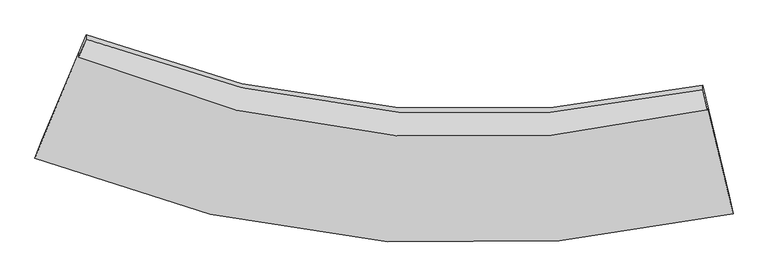
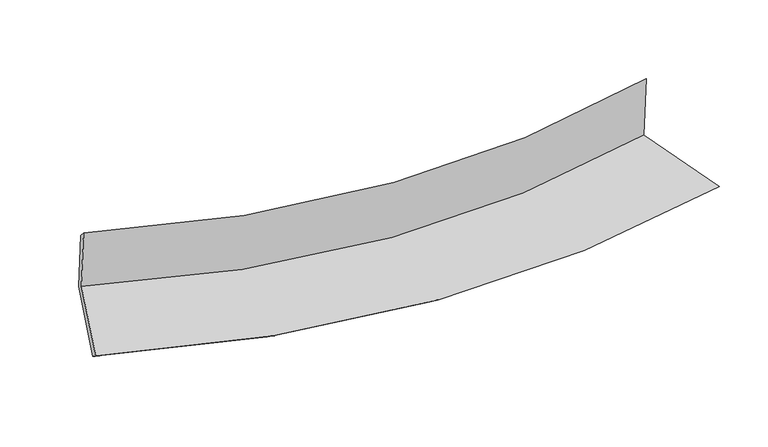
"""IFC4 building model written with IfcOpenShell, lengths in millimetres: proxy geometry."""

import ifcopenshell
import ifcopenshell.guid

model = None  # the IFC model being written
_history = None  # IfcOwnerHistory: only IFC2X3 demands one
_inside = {}  # id of a spatial element -> (the spatial element, [elements in it])
_under = {}  # id of a project, library or spatial element -> (it, [spatial elements below it])
_declared = {}  # id of a project -> (the project, [libraries it declares])
_typed = {}  # id of a type object -> (the type object, [elements of that type])
_made_of = {}  # id of a material, layer set ... -> (it, [elements and type objects made of it])


def new_model(schema):
    """Start an empty IFC model of exactly this schema.

    Asked for "IFC4X3", IfcOpenShell would pick the latest addendum, in which some entities
    have other attributes; the version numbers below select the first issue.
    IFC2X3 requires an IfcOwnerHistory on every rooted entity: one is made here for all.
    """
    global model, _history
    if schema == "IFC4X3":
        model = ifcopenshell.file(schema_version=(4, 3, 0, 0))
    else:
        model = ifcopenshell.file(schema=schema)
    _inside.clear()
    _under.clear()
    _declared.clear()
    _typed.clear()
    _made_of.clear()
    _history = None
    if model.schema == "IFC2X3":
        org = make("IfcOrganization", Name="unknown")
        user = make(
            "IfcPersonAndOrganization",
            ThePerson=make("IfcPerson", FamilyName="unknown"),
            TheOrganization=org,
        )
        app = make(
            "IfcApplication",
            ApplicationDeveloper=org,
            Version="unknown",
            ApplicationFullName="unknown",
            ApplicationIdentifier="unknown",
        )
        _history = make(
            "IfcOwnerHistory",
            OwningUser=user,
            OwningApplication=app,
            ChangeAction="ADDED",
            CreationDate=0,
        )
    return model


def make(cls, **values):
    """One entity of the class cls with the attributes given. An attribute that is None is left unset."""
    return model.create_entity(
        cls, **{name: value for name, value in values.items() if value is not None}
    )


def rooted(cls, **values):
    """An entity with a GlobalId (a new one), such as an element, a storey or a relation."""
    return make(cls, GlobalId=ifcopenshell.guid.new(), OwnerHistory=_history, **values)


def si_unit(unit_type, name, prefix=None):
    """IfcSIUnit, for example si_unit("LENGTHUNIT", "METRE", prefix="MILLI")."""
    return make("IfcSIUnit", UnitType=unit_type, Prefix=prefix, Name=name)


def assignment(units):
    """IfcUnitAssignment: the units of a project."""
    return None if units is None else make("IfcUnitAssignment", Units=units)


def point(xyz):
    """IfcCartesianPoint."""
    return None if xyz is None else make("IfcCartesianPoint", Coordinates=xyz)


def direction(xyz):
    """IfcDirection."""
    return None if xyz is None else make("IfcDirection", DirectionRatios=xyz)


def frame(location, z_axis=None, x_axis=None):
    """IfcAxis2Placement3D, a coordinate frame: its origin and axes. An axis left out is left unset."""
    return make(
        "IfcAxis2Placement3D",
        Location=point(location),
        Axis=direction(z_axis),
        RefDirection=direction(x_axis),
    )


def origin():
    """The frame at (0, 0, 0) with its axes left unset."""
    return frame((0.0, 0.0, 0.0))


def place(relative_to, where):
    """IfcLocalPlacement: puts the frame where relative to a parent placement (None: the world)."""
    return make(
        "IfcLocalPlacement", PlacementRelTo=relative_to, RelativePlacement=where
    )


def context(
    kind, dimensions, precision=None, world=None, true_north=None, identifier=None
):
    """IfcGeometricRepresentationContext, for example the 3D "Model" context."""
    return make(
        "IfcGeometricRepresentationContext",
        ContextIdentifier=identifier,
        ContextType=kind,
        CoordinateSpaceDimension=dimensions,
        Precision=precision,
        WorldCoordinateSystem=world,
        TrueNorth=true_north,
    )


def project(units=None, contexts=None):
    """IfcProject with its units and contexts."""
    return rooted(
        "IfcProject",
        Name="project",
        RepresentationContexts=contexts,
        UnitsInContext=assignment(units),
    )


def spatial(cls, under=None, at=None, **own):
    """A site, building, storey or space (cls), placed at a placement, below another one or the project."""
    s = rooted(cls, ObjectPlacement=at, **own)
    if under is not None:
        _under.setdefault(under.id(), (under, []))[1].append(s)
    return s


def shape(context_of_items, identifier, shape_type, items):
    """IfcShapeRepresentation: the items that make up one representation, for example the "Body"."""
    return make(
        "IfcShapeRepresentation",
        ContextOfItems=context_of_items,
        RepresentationIdentifier=identifier,
        RepresentationType=shape_type,
        Items=items,
    )


def source(mapping_origin, context_of_items, identifier, shape_type, items):
    """IfcRepresentationMap: a shape defined once, which mapped items show again and again."""
    return make(
        "IfcRepresentationMap",
        MappingOrigin=mapping_origin,
        MappedRepresentation=shape(context_of_items, identifier, shape_type, items),
    )


def transform(
    local_origin,
    x_axis=None,
    y_axis=None,
    z_axis=None,
    scale=None,
    scale2=None,
    scale3=None,
    uniform=True,
):
    """IfcCartesianTransformationOperator3D, or its non-uniform kind. x_axis, y_axis, z_axis: its Axis1, 2, 3."""
    if uniform:
        return make(
            "IfcCartesianTransformationOperator3D",
            Axis1=direction(x_axis),
            Axis2=direction(y_axis),
            LocalOrigin=point(local_origin),
            Scale=scale,
            Axis3=direction(z_axis),
        )
    return make(
        "IfcCartesianTransformationOperator3DnonUniform",
        Axis1=direction(x_axis),
        Axis2=direction(y_axis),
        LocalOrigin=point(local_origin),
        Scale=scale,
        Axis3=direction(z_axis),
        Scale2=scale2,
        Scale3=scale3,
    )


def mapped(mapping_source, mapping_target):
    """IfcMappedItem: shows the shape of a source again, moved by a transform."""
    return make(
        "IfcMappedItem", MappingSource=mapping_source, MappingTarget=mapping_target
    )


def made_of(thing, what):
    """Note that an element or type object is made of a material, layer set ...; save() writes the relation."""
    if what is not None:
        _made_of.setdefault(what.id(), (what, []))[1].append(thing)
    return thing


def element(
    cls,
    number,
    at=None,
    inside=None,
    cuts=None,
    type_object=None,
    material=None,
    context=None,
    identifier="Body",
    shape_type=None,
    held_by="IfcProductDefinitionShape",
    body=None,
    shapes=None,
    **own,
):
    """One element of the class cls, such as IfcWall. Its Tag is "e" and its number.

    at: its placement. inside: the storey or other place that contains it. cuts: it is an
    opening in that element (IfcRelVoidsElement). A single representation is given by context,
    identifier, shape_type and body (its items); several are given by shapes. held_by: the class
    of the entity that holds the representations. save() writes the other relations.
    """
    e = rooted(cls, Tag="e%d" % number, ObjectPlacement=at, **own)
    if body is not None:
        shapes = [shape(context, identifier, shape_type, body)]
    if shapes is not None:
        e.Representation = make(held_by, Representations=shapes)
    if inside is not None:
        _inside.setdefault(inside.id(), (inside, []))[1].append(e)
    if cuts is not None:
        rooted(
            "IfcRelVoidsElement", RelatingBuildingElement=cuts, RelatedOpeningElement=e
        )
    if type_object is not None:
        _typed.setdefault(type_object.id(), (type_object, []))[1].append(e)
    return made_of(e, material)


def aggregate(whole, parts):
    """IfcRelAggregates: a whole, such as a stair, and the parts it consists of."""
    return rooted("IfcRelAggregates", RelatingObject=whole, RelatedObjects=parts)


def save(model, path):
    """Write the relations noted so far, then the file.

    IfcRelAggregates (storeys below a building ...), IfcRelContainedInSpatialStructure (elements
    in a storey), IfcRelDefinesByType, IfcRelAssociatesMaterial and IfcRelDeclares: one each for
    every whole, place, type object, material and project.
    """
    for whole, parts in _under.values():
        aggregate(whole, parts)
    for where, things in _inside.values():
        rooted(
            "IfcRelContainedInSpatialStructure",
            RelatedElements=things,
            RelatingStructure=where,
        )
    for kind, things in _typed.values():
        rooted("IfcRelDefinesByType", RelatedObjects=things, RelatingType=kind)
    for what, things in _made_of.values():
        rooted("IfcRelAssociatesMaterial", RelatedObjects=things, RelatingMaterial=what)
    for by, libraries in _declared.values():
        rooted("IfcRelDeclares", RelatingContext=by, RelatedDefinitions=libraries)
    model.write(path)


def plane_surface(at):
    """IfcPlane: the flat surface through the origin of the frame at, square to its z axis."""
    return make("IfcPlane", Position=at)


def spline_curve(degree, points, multiplicities, knots, weights=None):
    """IfcBSplineCurveWithKnots; with weights, IfcRationalBSplineCurveWithKnots."""
    own = dict(
        Degree=degree,
        ControlPointsList=[point(p) for p in points],
        CurveForm="UNSPECIFIED",
        ClosedCurve=False,
        SelfIntersect=False,
        KnotMultiplicities=multiplicities,
        Knots=knots,
        KnotSpec="UNSPECIFIED",
    )
    if weights is None:
        return make("IfcBSplineCurveWithKnots", **own)
    return make("IfcRationalBSplineCurveWithKnots", WeightsData=weights, **own)


def spline_surface(u_degree, v_degree, points, u_multiplicities, v_multiplicities, u_knots, v_knots, weights=None):
    """IfcBSplineSurfaceWithKnots; with weights, IfcRationalBSplineSurfaceWithKnots. points: one row for each step in u."""
    own = dict(
        UDegree=u_degree,
        VDegree=v_degree,
        ControlPointsList=[[point(p) for p in row] for row in points],
        SurfaceForm="UNSPECIFIED",
        UClosed=False,
        VClosed=False,
        SelfIntersect=False,
        UMultiplicities=u_multiplicities,
        VMultiplicities=v_multiplicities,
        UKnots=u_knots,
        VKnots=v_knots,
        KnotSpec="UNSPECIFIED",
    )
    if weights is None:
        return make("IfcBSplineSurfaceWithKnots", **own)
    return make("IfcRationalBSplineSurfaceWithKnots", WeightsData=weights, **own)


def advanced_brep(points, edges, surfaces, faces):
    """IfcAdvancedBrep: a solid bounded by faces that lie on surfaces and meet in shared edges.

    An edge is (start, end): straight between two places in points (the first is 0);
    or (start, end, curve); or (start, end, curve, False) where it runs against its curve.
    A face is (place in surfaces, loops), or (place, loops, False) where it looks against
    its surface's normal. A loop lists edges by number (the first is 1), with a minus sign
    where the edge is run from its end to its start. The first loop is the outer one.
    """
    corners = [point(p) for p in points]
    vertices = [make("IfcVertexPoint", VertexGeometry=c) for c in corners]
    made = []
    for start, end, *more in edges:
        made.append(
            make(
                "IfcEdgeCurve",
                EdgeStart=vertices[start],
                EdgeEnd=vertices[end],
                EdgeGeometry=more[0] if more else make("IfcPolyline", Points=[corners[start], corners[end]]),
                SameSense=more[1] if len(more) > 1 else True,
            )
        )
    hull = []
    for where, loops, *sense in faces:
        bounds = []
        for j, loop in enumerate(loops):
            ring = [make("IfcOrientedEdge", EdgeElement=made[abs(k) - 1], Orientation=k > 0) for k in loop]
            bounds.append(
                make(
                    "IfcFaceOuterBound" if j == 0 else "IfcFaceBound",
                    Bound=make("IfcEdgeLoop", EdgeList=ring),
                    Orientation=True,
                )
            )
        hull.append(make("IfcAdvancedFace", Bounds=bounds, FaceSurface=surfaces[where], SameSense=sense[0] if sense else True))
    return make("IfcAdvancedBrep", Outer=make("IfcClosedShell", CfsFaces=hull))


def generic_models_3fdf727f(model_context):
    return source(origin(), model_context, "Body", "AdvancedBrep", [
        advanced_brep(
        [(-1804.8065759, -1127.9472163, 1815.1998574), (-1804.7834383, -1152.9685809, 2202.8926398), (1818.2667437, -1449.1873035, 2198.5105651), (1818.243054, -1423.5688879, 1801.5667956), (-2063.5799929, -1747.4462655, 1775.2333557), (1971.7715607, -2071.3163879, 1759.7525566), (-2104.9538676, -1852.1470617, 1856.2309625), (1995.3681277, -2177.0414316, 1849.2946818), (-1846.3604396, -1233.0789032, 1896.1696656), (1844.2683886, -1539.5410718, 1890.4474341), (-1846.3362926, -1259.1919136, 2300.7769209), (1844.2938385, -1567.0629815, 2316.8848368)],
        [
            (0, 1),
            (1, 2, spline_curve(3, [(-1804.7834383, -1152.9685809, 2202.8926398), (-1199.359187147, -1392.338421358, 2179.995824359), (-587.258322647, -1535.020247151, 2168.441533791), (621.041474007, -1624.833329233, 2168.028013886), (1216.624003425, -1580.891077693, 2178.121613063), (1818.2667437, -1449.1873035, 2198.5105651)], [4, 2, 4], [0.0, 6.1914871600886965, 12.090247210259626])),
            (2, 3),
            (3, 0, spline_curve(3, [(1818.243054, -1423.5688879, 1801.5667956), (1216.600931718, -1555.941007533, 1791.533499267), (621.018762569, -1600.272896618, 1787.477129671), (-587.280823715, -1510.687179694, 1791.413552153), (-1199.381864513, -1367.814733242, 1800.014275666), (-1804.8065759, -1127.9472163, 1815.1998574)], [4, 2, 4], [0.0, 5.89876005017093, 12.090247210259626])),
            (4, 0),
            (3, 5),
            (5, 4, spline_curve(3, [(1971.7715607, -2071.3163879, 1759.7525566), (1297.737415007, -2222.859439907, 1748.486304732), (632.367991756, -2274.767450737, 1743.94514364), (-713.630508127, -2176.944926939, 1748.421380482), (-1393.37826944, -2017.080208624, 1758.12280811), (-2063.5799929, -1747.4462655, 1775.2333557)], [4, 2, 4], [0.0, 6.235786767872266, 12.78102566180106])),
            (6, 4),
            (5, 7),
            (7, 6, spline_curve(3, [(1995.3681277, -2177.0414316, 1849.2946818), (1310.136765775, -2334.865322397, 1838.282054609), (633.877980117, -2389.908516996, 1833.192795285), (-733.808646299, -2292.064531656, 1834.902405112), (-1424.323859109, -2128.72321348, 1842.303757956), (-2104.9538676, -1852.1470617, 1856.2309625)], [4, 2, 4], [0.0, 6.62667226334186, 13.582194421156725])),
            (8, 6),
            (7, 9),
            (9, 8, spline_curve(3, [(1844.2683886, -1539.5410718, 1890.4474341), (1229.02608258, -1687.770789117, 1880.049829836), (621.116980389, -1739.363288335, 1875.179196205), (-609.838511457, -1647.038497973, 1876.524441865), (-1232.139018647, -1493.29194261, 1883.302485908), (-1846.3604396, -1233.0789032, 1896.1696656)], [4, 2, 4], [0.0, 6.351600984593167, 13.018401398177673])),
            (10, 8),
            (9, 11),
            (11, 10, spline_curve(3, [(1844.2938385, -1567.0629815, 2316.8848368), (1229.051314144, -1715.056559192, 2302.82837351), (621.141996687, -1766.416337993, 2294.351862888), (-609.813929675, -1673.621567021, 2288.415003431), (-1232.114656036, -1519.638098532, 2291.522209084), (-1846.3362926, -1259.1919136, 2300.7769209)], [4, 2, 4], [0.0, 6.0226884066629545, 12.344253891936116])),
            (1, 10),
            (11, 2),
        ],
        [
            spline_surface(3, 3, [[(-1804.8065759, -1127.9472163, 1815.1998574), (-1199.381864524, -1367.81473318, 1800.01427566), (-587.280823709, -1510.687179593, 1791.413552152), (621.018762563, -1600.272896714, 1787.477129673), (1216.6009317, -1555.941007453, 1791.533499216), (1818.243054, -1423.5688879, 1801.5667956)], [(-1804.798863377, -1136.287671187, 1944.430784888), (-1199.374305403, -1375.989295899, 1926.674791938), (-587.273323345, -1518.798202068, 1917.089546038), (621.026333009, -1608.459707576, 1914.327424431), (1216.608622247, -1564.257697545, 1920.39620381), (1818.250950557, -1432.108359749, 1933.88138542)], [(-1804.791150823, -1144.628126013, 2073.661712312), (-1199.366746252, -1384.163858557, 2053.335308151), (-587.265822942, -1526.909224574, 2042.765539883), (621.033903495, -1616.646518468, 2041.177719148), (1216.616312825, -1572.574387692, 2049.258908444), (1818.258847143, -1440.647831651, 2066.19597528)], [(-1804.7834383, -1152.9685809, 2202.8926398), (-1199.359187132, -1392.338421276, 2179.995824429), (-587.258322578, -1535.020247049, 2168.441533769), (621.041473941, -1624.833329329, 2168.028013907), (1216.624003372, -1580.891077784, 2178.121613038), (1818.2667437, -1449.1873035, 2198.5105651)]], [4, 4], [4, 2, 4], [0.0, 1.2450788039880298], [0.0, 6.1914871600886965, 12.090247210259626]),
            spline_surface(3, 3, [[(-2063.5799929, -1747.4462655, 1775.2333557), (-1393.37826936, -2017.08020867, 1758.122808051), (-713.630508104, -2176.944926924, 1748.421380522), (632.367991735, -2274.767450751, 1743.945143602), (1297.737415031, -2222.859439948, 1748.486304796), (1971.7715607, -2071.3163879, 1759.7525566)], [(-1977.322187226, -1540.946582431, 1788.555522916), (-1328.712801074, -1800.658383505, 1772.08663057), (-671.513946628, -1954.859011132, 1762.752104387), (628.584915355, -2049.935932724, 1758.455805615), (1270.691920611, -2000.553295796, 1762.835369617), (1920.595391824, -1855.40055458, 1773.690636281)], [(-1891.064381574, -1334.446899369, 1801.877690184), (-1264.04733281, -1584.236558346, 1786.050453141), (-629.397385185, -1732.773095385, 1777.082828286), (624.801838942, -1825.104414742, 1772.96646766), (1243.64642612, -1778.247151605, 1777.184434395), (1869.419222876, -1639.48472122, 1787.628715919)], [(-1804.8065759, -1127.9472163, 1815.1998574), (-1199.381864524, -1367.81473318, 1800.01427566), (-587.280823709, -1510.687179593, 1791.413552152), (621.018762563, -1600.272896714, 1787.477129673), (1216.6009317, -1555.941007453, 1791.533499216), (1818.243054, -1423.5688879, 1801.5667956)]], [4, 4], [4, 2, 4], [0.0, 2.2122659956953994], [0.0, 6.5452388939287935, 12.78102566180106]),
            spline_surface(3, 3, [[(-2104.9538676, -1852.1470617, 1856.2309625), (-1424.323859078, -2128.723213554, 1842.303757976), (-733.808646332, -2292.064531567, 1834.902405088), (633.877980148, -2389.908517082, 1833.192795307), (1310.136765864, -2334.865322359, 1838.282054639), (1995.3681277, -2177.0414316, 1849.2946818)], [(-2091.162576037, -1817.246796288, 1829.231760247), (-1414.008662509, -2091.508878581, 1814.243441348), (-727.082600265, -2253.691330037, 1806.075396917), (633.374650668, -2351.528161656, 1803.44357809), (1306.00364892, -2297.530028214, 1808.350138028), (1987.502605367, -2141.799750358, 1819.447306737)], [(-2077.371284463, -1782.346530912, 1802.232557953), (-1403.693465929, -2054.294543644, 1786.183124679), (-720.356554171, -2215.318128454, 1777.248388693), (632.871321215, -2313.147806177, 1773.69436082), (1301.870531974, -2260.194734093, 1778.418221407), (1979.637083033, -2106.558069142, 1789.599931663)], [(-2063.5799929, -1747.4462655, 1775.2333557), (-1393.37826936, -2017.08020867, 1758.122808051), (-713.630508104, -2176.944926924, 1748.421380522), (632.367991735, -2274.767450751, 1743.945143602), (1297.737415031, -2222.859439948, 1748.486304796), (1971.7715607, -2071.3163879, 1759.7525566)]], [4, 4], [4, 2, 4], [0.0, 0.47610451824307704], [0.0, 6.9555221578148645, 13.582194421156725]),
            spline_surface(3, 3, [[(-1846.3604396, -1233.0789032, 1896.1696656), (-1232.139018702, -1493.291942569, 1883.302485808), (-609.838511493, -1647.038498013, 1876.524441756), (621.116980423, -1739.363288298, 1875.179196309), (1229.026082599, -1687.770789058, 1880.049829833), (1844.2683886, -1539.5410718, 1890.4474341)], [(-1932.558248922, -1439.434956049, 1882.856764577), (-1296.20063215, -1705.102366247, 1869.636243207), (-651.16188978, -1862.047175862, 1862.650429511), (625.370646991, -1956.21169789, 1861.183729287), (1256.062977009, -1903.468966848, 1866.127238093), (1894.634968289, -1752.041191756, 1876.729849991)], [(-2018.756058278, -1645.791008851, 1869.543863523), (-1360.26224563, -1916.912789876, 1855.970000576), (-692.485268045, -2077.055853718, 1848.776417333), (629.62431358, -2173.060107489, 1847.18826233), (1283.099871453, -2119.16714457, 1852.20464638), (1945.001548011, -1964.541311644, 1863.012265909)], [(-2104.9538676, -1852.1470617, 1856.2309625), (-1424.323859078, -2128.723213554, 1842.303757976), (-733.808646332, -2292.064531567, 1834.902405088), (633.877980148, -2389.908517082, 1833.192795307), (1310.136765864, -2334.865322359, 1838.282054639), (1995.3681277, -2177.0414316, 1849.2946818)]], [4, 4], [4, 2, 4], [0.0, 2.137979754432061], [0.0, 6.666800413584506, 13.018401398177673]),
            spline_surface(3, 3, [[(-1846.3362926, -1259.1919136, 2300.7769209), (-1232.114656109, -1519.638098599, 2291.522209059), (-609.813929752, -1673.621566919, 2288.415003527), (621.141996761, -1766.416338091, 2294.351862797), (1229.051314137, -1715.056559094, 2302.828373602), (1844.2938385, -1567.0629815, 2316.8848368)], [(-1846.344341609, -1250.487576784, 2165.907835799), (-1232.122776983, -1510.856046573, 2155.448967974), (-609.822123651, -1664.760543955, 2151.118149628), (621.133657996, -1757.398654832, 2154.627640659), (1229.042903639, -1705.961302409, 2161.902192345), (1844.285355215, -1557.889011594, 2174.739035899)], [(-1846.352390591, -1241.783240016, 2031.038750701), (-1232.130897828, -1502.073994595, 2019.375726893), (-609.830317594, -1655.899520976, 2013.821295654), (621.125319188, -1748.380971557, 2014.903418447), (1229.034493096, -1696.866045743, 2020.97601109), (1844.276871885, -1548.715041706, 2032.593235001)], [(-1846.3604396, -1233.0789032, 1896.1696656), (-1232.139018702, -1493.291942569, 1883.302485808), (-609.838511493, -1647.038498013, 1876.524441756), (621.116980423, -1739.363288298, 1875.179196309), (1229.026082599, -1687.770789058, 1880.049829833), (1844.2683886, -1539.5410718, 1890.4474341)]], [4, 4], [4, 2, 4], [0.0, 1.3655496753323868], [0.0, 6.321565485273162, 12.344253891936116]),
            spline_surface(3, 3, [[(-1804.7834383, -1152.9685809, 2202.8926398), (-1199.359187132, -1392.338421276, 2179.995824429), (-587.258322578, -1535.020247049, 2168.441533769), (621.041473941, -1624.833329329, 2168.028013907), (1216.624003372, -1580.891077784, 2178.121613038), (1818.2667437, -1449.1873035, 2198.5105651)], [(-1818.634389728, -1188.376358461, 2235.520733474), (-1210.277676786, -1434.771647044, 2217.171285946), (-594.776858299, -1581.22068701, 2208.432690332), (621.074981551, -1672.027665588, 2210.135963513), (1220.766440275, -1625.612904884, 2219.690533232), (1826.942441948, -1488.479196164, 2237.968655673)], [(-1832.485341172, -1223.784136039, 2268.148827226), (-1221.196166455, -1477.20487283, 2254.346747542), (-602.295394031, -1627.421126958, 2248.423846964), (621.10848915, -1719.222001832, 2252.24391319), (1224.908877234, -1670.334731994, 2261.259453408), (1835.618140252, -1527.771088836, 2277.426746227)], [(-1846.3362926, -1259.1919136, 2300.7769209), (-1232.114656109, -1519.638098599, 2291.522209059), (-609.813929752, -1673.621566919, 2288.415003527), (621.141996761, -1766.416338091, 2294.351862797), (1229.051314137, -1715.056559094, 2302.828373602), (1844.2938385, -1567.0629815, 2316.8848368)]], [4, 4], [4, 2, 4], [0.0, 0.6126060741369126], [0.0, 6.256604318711696, 12.217402855587732]),
            plane_surface(frame((1882.0352855, -1704.6196774, 1969.4094783), z_axis=(0.973149063789793, 0.22970164351500935, 0.014766672324964689), x_axis=(0.23017579390131637, -0.9711277620398473, -0.06268950229006812))),
            plane_surface(frame((-1911.8034345, -1395.4633235, 1974.4172336), z_axis=(-0.923017681114263, 0.3839551689924977, 0.024835228092195627), x_axis=(-5.955625929480729e-05, 0.06440516098864461, -0.9979238306058629))),
        ],
        [
            (0, [[1, 2, 3, 4]]),
            (1, [[5, -4, 6, 7]]),
            (2, [[8, -7, 9, 10]]),
            (3, [[11, -10, 12, 13]]),
            (4, [[14, -13, 15, 16]]),
            (5, [[17, -16, 18, -2]]),
            (6, [[-12, -9, -6, -3, -18, -15]]),
            (7, [[-1, -5, -8, -11, -14, -17]]),
        ],
    ),
    ])


if __name__ == "__main__":
    model = new_model("IFC4")
    model_context = context("Model", 3, world=origin())
    ifc_project = project(units=[si_unit("LENGTHUNIT", "METRE", prefix="MILLI")], contexts=[model_context])
    site = spatial("IfcSite", under=ifc_project)
    building = spatial("IfcBuilding", under=site)
    placement = place(None, origin())
    generic_models_shape = generic_models_3fdf727f(model_context)
    element("IfcBuildingElementProxy", 1, Name="Generic Models", at=placement, inside=building, context=model_context, shape_type="MappedRepresentation", body=[
        mapped(generic_models_shape, transform((0.0, 0.0, 0.0), x_axis=(1.0, 0.0, 0.0), y_axis=(0.0, 1.0, 0.0), z_axis=(0.0, 0.0, 1.0))),
    ])
    save(model, "model.ifc")
